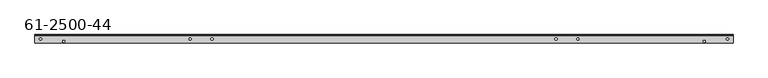
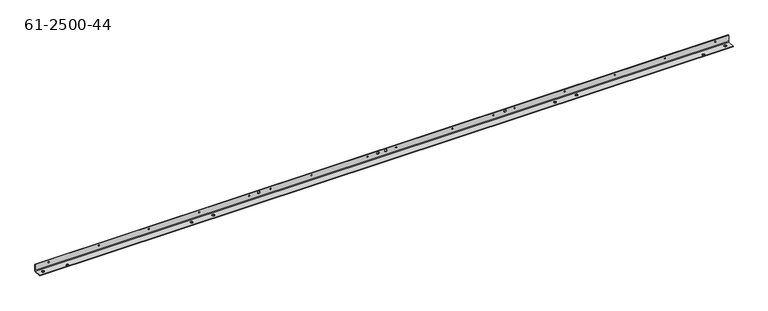
"""IFC4 building model written with IfcOpenShell, lengths in millimetres: proxy geometry, 61-2500-44."""

from ifc_helpers import new_model, si_unit, frame, origin, place, context, project, spatial, polyline, circle_curve, source, transform, mapped, element, save
from ifc_brep_helpers import plane_surface, cylinder_surface, revolved_surface, advanced_brep


def proxy_61_2500_44_c0f4c63f(model_context):
    return source(origin(), model_context, "Body", "AdvancedBrep", [
        advanced_brep(
        [(2209.7238, 12.7, 0.0), (2209.7238, 12.7, 1.6129), (2202.4848, 12.7, 1.6129), (2202.4848, 12.7, 0.0), (24.4602, 12.7, 0.0), (24.4602, 12.7, 1.6129), (17.2212, 12.7, 1.6129), (17.2212, 12.7, 0.0), (47.7901, 25.0571, 16.6254252), (47.7901, 26.67, 16.6254252), (44.7421, 26.67, 16.6254252), (44.7421, 25.0571, 16.6254252), (208.3689, 25.0571, 16.6254252), (208.3689, 26.67, 16.6254252), (205.3209, 26.67, 16.6254252), (205.3209, 25.0571, 16.6254252), (368.9477, 25.0571, 16.6254252), (368.9477, 26.67, 16.6254252), (365.8997, 26.67, 16.6254252), (365.8997, 25.0571, 16.6254252), (889.3429, 25.0571, 16.6254252), (889.3429, 26.67, 16.6254252), (886.2949, 26.67, 16.6254252), (886.2949, 25.0571, 16.6254252), (1069.2511, 25.0571, 16.6254252), (1069.2511, 26.67, 16.6254252), (1066.2031, 26.67, 16.6254252), (1066.2031, 25.0571, 16.6254252), (1160.7419, 25.0571, 16.6254252), (1160.7419, 26.67, 16.6254252), (1157.6939, 26.67, 16.6254252), (1157.6939, 25.0571, 16.6254252), (1340.6501, 25.0571, 16.6254252), (1340.6501, 26.67, 16.6254252), (1337.6021, 26.67, 16.6254252), (1337.6021, 25.0571, 16.6254252), (1861.0453, 25.0571, 16.6254252), (1861.0453, 26.67, 16.6254252), (1857.9973, 26.67, 16.6254252), (1857.9973, 25.0571, 16.6254252), (2021.6241, 25.0571, 16.6254252), (2021.6241, 26.67, 16.6254252), (2018.5761, 26.67, 16.6254252), (2018.5761, 25.0571, 16.6254252), (2182.2029, 25.0571, 16.6254252), (2182.2029, 26.67, 16.6254252), (2179.1549, 26.67, 16.6254252), (2179.1549, 25.0571, 16.6254252), (529.5265, 25.0571, 16.6254252), (529.5265, 26.67, 16.6254252), (526.4785, 26.67, 16.6254252), (526.4785, 25.0571, 16.6254252), (690.1053, 25.0571, 16.6254252), (690.1053, 26.67, 16.6254252), (687.0573, 26.67, 16.6254252), (687.0573, 25.0571, 16.6254252), (1700.4665, 25.0571, 16.6254252), (1700.4665, 26.67, 16.6254252), (1697.4185, 26.67, 16.6254252), (1697.4185, 25.0571, 16.6254252), (1539.8877, 25.0571, 16.6254252), (1539.8877, 26.67, 16.6254252), (1536.8397, 26.67, 16.6254252), (1536.8397, 25.0571, 16.6254252), (758.15952, 25.0571, 16.6254252), (758.15952, 26.67, 16.6254252), (755.11152, 26.67, 16.6254252), (755.11152, 25.0571, 16.6254252), (1471.83348, 25.0571, 16.6254252), (1471.83348, 26.67, 16.6254252), (1468.78548, 26.67, 16.6254252), (1468.78548, 25.0571, 16.6254252), (1104.392, 25.0571, 17.2466), (1104.392, 26.67, 17.2466), (1097.153, 26.67, 17.2466), (1097.153, 25.0571, 17.2466), (1129.792, 25.0571, 17.2466), (1129.792, 26.67, 17.2466), (1122.553, 26.67, 17.2466), (1122.553, 25.0571, 17.2466), (1511.2365, 25.0571, 17.6911), (1511.2365, 26.67, 17.6911), (1503.9975, 26.67, 17.6911), (1503.9975, 25.0571, 17.6911), (722.9475, 25.0571, 17.6911), (722.9475, 26.67, 17.6911), (715.7085, 26.67, 17.6911), (715.7085, 25.0571, 17.6911), (562.7751, 12.69238, 1.6129), (562.7751, 12.69238, 0.0), (570.0141, 12.69238, 0.0), (570.0141, 12.69238, 1.6129), (1656.9309, 12.69238, 1.6129), (1656.9309, 12.69238, 0.0), (1664.1699, 12.69238, 0.0), (1664.1699, 12.69238, 1.6129), (1726.18146, 12.69238, 1.6129), (1726.18146, 12.69238, 0.0), (1733.42046, 12.69238, 0.0), (1733.42046, 12.69238, 1.6129), (493.52454, 12.69238, 1.6129), (493.52454, 12.69238, 0.0), (500.76354, 12.69238, 0.0), (500.76354, 12.69238, 1.6129), (2128.5815754, 5.2022926, 1.6129), (2128.5815754, 5.2022926, 0.0), (2135.8205754, 5.2022926, 0.0), (2135.8205754, 5.2022926, 1.6129), (91.1244246, 5.2022926, 1.6129), (91.1244246, 5.2022926, 0.0), (98.3634246, 5.2022926, 0.0), (98.3634246, 5.2022926, 1.6129), (3.175, 26.67, 3.2258), (2223.77, 26.67, 3.2258), (2223.77, 23.4442, 0.0), (3.175, 23.4442, 0.0), (2223.77, 25.0571, 3.2258), (3.175, 25.0571, 3.2258), (3.175, 23.4442, 1.6129), (2223.77, 23.4442, 1.6129), (2223.77, 0.0, 0.0), (3.175, 0.0, 0.0), (2223.77, 0.0, 1.6129), (3.175, 0.0, 1.6129), (2223.77, 26.67, 24.13), (2223.77, 25.0571, 24.13), (3.175, 26.67, 24.13), (3.175, 25.0571, 24.13)],
        [
            (0, 1),
            (1, 2, circle_curve(frame((2206.1043, 12.7, 1.6129), z_axis=(0.0, 0.0, 1.0), x_axis=(1.0, 0.0, 0.0)), 3.6195)),
            (2, 3),
            (3, 0, circle_curve(frame((2206.1043, 12.7, 0.0), z_axis=(0.0, 0.0, -1.0), x_axis=(1.0, 0.0, 0.0)), 3.6195)),
            (4, 5),
            (5, 6, circle_curve(frame((20.8407, 12.7, 1.6129), z_axis=(0.0, 0.0, 1.0), x_axis=(1.0, 0.0, 0.0)), 3.6195)),
            (6, 7),
            (7, 4, circle_curve(frame((20.8407, 12.7, 0.0), z_axis=(0.0, 0.0, -1.0), x_axis=(1.0, 0.0, 0.0)), 3.6195)),
            (8, 9),
            (9, 10, circle_curve(frame((46.2661, 26.67, 16.6254252), z_axis=(0.0, 1.0, 0.0), x_axis=(1.0, 0.0, 0.0)), 1.524)),
            (10, 11),
            (11, 8, circle_curve(frame((46.2661, 25.0571, 16.6254252), z_axis=(0.0, -1.0, 0.0), x_axis=(1.0, 0.0, 0.0)), 1.524)),
            (12, 13),
            (13, 14, circle_curve(frame((206.8449, 26.67, 16.6254252), z_axis=(0.0, 1.0, 0.0), x_axis=(1.0, 0.0, 0.0)), 1.524)),
            (14, 15),
            (15, 12, circle_curve(frame((206.8449, 25.0571, 16.6254252), z_axis=(0.0, -1.0, 0.0), x_axis=(1.0, 0.0, 0.0)), 1.524)),
            (16, 17),
            (17, 18, circle_curve(frame((367.4237, 26.67, 16.6254252), z_axis=(0.0, 1.0, 0.0), x_axis=(1.0, 0.0, 0.0)), 1.524)),
            (18, 19),
            (19, 16, circle_curve(frame((367.4237, 25.0571, 16.6254252), z_axis=(0.0, -1.0, 0.0), x_axis=(1.0, 0.0, 0.0)), 1.524)),
            (20, 21),
            (21, 22, circle_curve(frame((887.8189, 26.67, 16.6254252), z_axis=(0.0, 1.0, 0.0), x_axis=(1.0, 0.0, 0.0)), 1.524)),
            (22, 23),
            (23, 20, circle_curve(frame((887.8189, 25.0571, 16.6254252), z_axis=(0.0, -1.0, 0.0), x_axis=(1.0, 0.0, 0.0)), 1.524)),
            (24, 25),
            (25, 26, circle_curve(frame((1067.7271, 26.67, 16.6254252), z_axis=(0.0, 1.0, 0.0), x_axis=(1.0, 0.0, 0.0)), 1.524)),
            (26, 27),
            (27, 24, circle_curve(frame((1067.7271, 25.0571, 16.6254252), z_axis=(0.0, -1.0, 0.0), x_axis=(1.0, 0.0, 0.0)), 1.524)),
            (28, 29),
            (29, 30, circle_curve(frame((1159.2179, 26.67, 16.6254252), z_axis=(0.0, 1.0, 0.0), x_axis=(1.0, 0.0, 0.0)), 1.524)),
            (30, 31),
            (31, 28, circle_curve(frame((1159.2179, 25.0571, 16.6254252), z_axis=(0.0, -1.0, 0.0), x_axis=(1.0, 0.0, 0.0)), 1.524)),
            (32, 33),
            (33, 34, circle_curve(frame((1339.1261, 26.67, 16.6254252), z_axis=(0.0, 1.0, 0.0), x_axis=(1.0, 0.0, 0.0)), 1.524)),
            (34, 35),
            (35, 32, circle_curve(frame((1339.1261, 25.0571, 16.6254252), z_axis=(0.0, -1.0, 0.0), x_axis=(1.0, 0.0, 0.0)), 1.524)),
            (36, 37),
            (37, 38, circle_curve(frame((1859.5213, 26.67, 16.6254252), z_axis=(0.0, 1.0, 0.0), x_axis=(1.0, 0.0, 0.0)), 1.524)),
            (38, 39),
            (39, 36, circle_curve(frame((1859.5213, 25.0571, 16.6254252), z_axis=(0.0, -1.0, 0.0), x_axis=(1.0, 0.0, 0.0)), 1.524)),
            (40, 41),
            (41, 42, circle_curve(frame((2020.1001, 26.67, 16.6254252), z_axis=(0.0, 1.0, 0.0), x_axis=(1.0, 0.0, 0.0)), 1.524)),
            (42, 43),
            (43, 40, circle_curve(frame((2020.1001, 25.0571, 16.6254252), z_axis=(0.0, -1.0, 0.0), x_axis=(1.0, 0.0, 0.0)), 1.524)),
            (44, 45),
            (45, 46, circle_curve(frame((2180.6789, 26.67, 16.6254252), z_axis=(0.0, 1.0, 0.0), x_axis=(1.0, 0.0, 0.0)), 1.524)),
            (46, 47),
            (47, 44, circle_curve(frame((2180.6789, 25.0571, 16.6254252), z_axis=(0.0, -1.0, 0.0), x_axis=(1.0, 0.0, 0.0)), 1.524)),
            (48, 49),
            (49, 50, circle_curve(frame((528.0025, 26.67, 16.6254252), z_axis=(0.0, 1.0, 0.0), x_axis=(1.0, 0.0, 0.0)), 1.524)),
            (50, 51),
            (51, 48, circle_curve(frame((528.0025, 25.0571, 16.6254252), z_axis=(0.0, -1.0, 0.0), x_axis=(1.0, 0.0, 0.0)), 1.524)),
            (52, 53),
            (53, 54, circle_curve(frame((688.5813, 26.67, 16.6254252), z_axis=(0.0, 1.0, 0.0), x_axis=(1.0, 0.0, 0.0)), 1.524)),
            (54, 55),
            (55, 52, circle_curve(frame((688.5813, 25.0571, 16.6254252), z_axis=(0.0, -1.0, 0.0), x_axis=(1.0, 0.0, 0.0)), 1.524)),
            (56, 57),
            (57, 58, circle_curve(frame((1698.9425, 26.67, 16.6254252), z_axis=(0.0, 1.0, 0.0), x_axis=(1.0, 0.0, 0.0)), 1.524)),
            (58, 59),
            (59, 56, circle_curve(frame((1698.9425, 25.0571, 16.6254252), z_axis=(0.0, -1.0, 0.0), x_axis=(1.0, 0.0, 0.0)), 1.524)),
            (60, 61),
            (61, 62, circle_curve(frame((1538.3637, 26.67, 16.6254252), z_axis=(0.0, 1.0, 0.0), x_axis=(1.0, 0.0, 0.0)), 1.524)),
            (62, 63),
            (63, 60, circle_curve(frame((1538.3637, 25.0571, 16.6254252), z_axis=(0.0, -1.0, 0.0), x_axis=(1.0, 0.0, 0.0)), 1.524)),
            (64, 65),
            (65, 66, circle_curve(frame((756.63552, 26.67, 16.6254252), z_axis=(0.0, 1.0, 0.0), x_axis=(1.0, 0.0, 0.0)), 1.524)),
            (66, 67),
            (67, 64, circle_curve(frame((756.63552, 25.0571, 16.6254252), z_axis=(0.0, -1.0, 0.0), x_axis=(1.0, 0.0, 0.0)), 1.524)),
            (68, 69),
            (69, 70, circle_curve(frame((1470.30948, 26.67, 16.6254252), z_axis=(0.0, 1.0, 0.0), x_axis=(1.0, 0.0, 0.0)), 1.524)),
            (70, 71),
            (71, 68, circle_curve(frame((1470.30948, 25.0571, 16.6254252), z_axis=(0.0, -1.0, 0.0), x_axis=(1.0, 0.0, 0.0)), 1.524)),
            (72, 73),
            (73, 74, circle_curve(frame((1100.7725, 26.67, 17.2466), z_axis=(0.0, 1.0, 0.0), x_axis=(1.0, 0.0, 0.0)), 3.6195)),
            (74, 75),
            (75, 72, circle_curve(frame((1100.7725, 25.0571, 17.2466), z_axis=(0.0, -1.0, 0.0), x_axis=(1.0, 0.0, 0.0)), 3.6195)),
            (76, 77),
            (77, 78, circle_curve(frame((1126.1725, 26.67, 17.2466), z_axis=(0.0, 1.0, 0.0), x_axis=(1.0, 0.0, 0.0)), 3.6195)),
            (78, 79),
            (79, 76, circle_curve(frame((1126.1725, 25.0571, 17.2466), z_axis=(0.0, -1.0, 0.0), x_axis=(1.0, 0.0, 0.0)), 3.6195)),
            (80, 81),
            (81, 82, circle_curve(frame((1507.617, 26.67, 17.6911), z_axis=(0.0, 1.0, 0.0), x_axis=(1.0, 0.0, 0.0)), 3.6195)),
            (82, 83),
            (83, 80, circle_curve(frame((1507.617, 25.0571, 17.6911), z_axis=(0.0, -1.0, 0.0), x_axis=(1.0, 0.0, 0.0)), 3.6195)),
            (84, 85),
            (85, 86, circle_curve(frame((719.328, 26.67, 17.6911), z_axis=(0.0, 1.0, 0.0), x_axis=(1.0, 0.0, 0.0)), 3.6195)),
            (86, 87),
            (87, 84, circle_curve(frame((719.328, 25.0571, 17.6911), z_axis=(0.0, -1.0, 0.0), x_axis=(1.0, 0.0, 0.0)), 3.6195)),
            (88, 89),
            (89, 90, circle_curve(frame((566.3946, 12.69238, 0.0), z_axis=(0.0, 0.0, -1.0), x_axis=(-1.0, 0.0, 0.0)), 3.6195)),
            (90, 91),
            (91, 88, circle_curve(frame((566.3946, 12.69238, 1.6129), z_axis=(0.0, 0.0, 1.0), x_axis=(-1.0, 0.0, 0.0)), 3.6195)),
            (92, 93),
            (93, 94, circle_curve(frame((1660.5504, 12.69238, 0.0), z_axis=(0.0, 0.0, -1.0), x_axis=(-1.0, 0.0, 0.0)), 3.6195)),
            (94, 95),
            (95, 92, circle_curve(frame((1660.5504, 12.69238, 1.6129), z_axis=(0.0, 0.0, 1.0), x_axis=(-1.0, 0.0, 0.0)), 3.6195)),
            (96, 97),
            (97, 98, circle_curve(frame((1729.80096, 12.69238, 0.0), z_axis=(0.0, 0.0, -1.0), x_axis=(-1.0, 0.0, 0.0)), 3.6195)),
            (98, 99),
            (99, 96, circle_curve(frame((1729.80096, 12.69238, 1.6129), z_axis=(0.0, 0.0, 1.0), x_axis=(-1.0, 0.0, 0.0)), 3.6195)),
            (100, 101),
            (101, 102, circle_curve(frame((497.14404, 12.69238, 0.0), z_axis=(0.0, 0.0, -1.0), x_axis=(-1.0, 0.0, 0.0)), 3.6195)),
            (102, 103),
            (103, 100, circle_curve(frame((497.14404, 12.69238, 1.6129), z_axis=(0.0, 0.0, 1.0), x_axis=(-1.0, 0.0, 0.0)), 3.6195)),
            (104, 105),
            (105, 106, circle_curve(frame((2132.2010754, 5.2022926, 0.0), z_axis=(0.0, 0.0, -1.0), x_axis=(-1.0, 0.0, 0.0)), 3.6195)),
            (106, 107),
            (107, 104, circle_curve(frame((2132.2010754, 5.2022926, 1.6129), z_axis=(0.0, 0.0, 1.0), x_axis=(-1.0, 0.0, 0.0)), 3.6195)),
            (108, 109),
            (109, 110, circle_curve(frame((94.7439246, 5.2022926, 0.0), z_axis=(0.0, 0.0, -1.0), x_axis=(-1.0, 0.0, 0.0)), 3.6195)),
            (110, 111),
            (111, 108, circle_curve(frame((94.7439246, 5.2022926, 1.6129), z_axis=(0.0, 0.0, 1.0), x_axis=(-1.0, 0.0, 0.0)), 3.6195)),
            (108, 111, circle_curve(frame((94.7439246, 5.2022926, 1.6129), z_axis=(0.0, 0.0, 1.0), x_axis=(-1.0, 0.0, 0.0)), 3.6195)),
            (110, 109, circle_curve(frame((94.7439246, 5.2022926, 0.0), z_axis=(0.0, 0.0, -1.0), x_axis=(-1.0, 0.0, 0.0)), 3.6195)),
            (104, 107, circle_curve(frame((2132.2010754, 5.2022926, 1.6129), z_axis=(0.0, 0.0, 1.0), x_axis=(-1.0, 0.0, 0.0)), 3.6195)),
            (106, 105, circle_curve(frame((2132.2010754, 5.2022926, 0.0), z_axis=(0.0, 0.0, -1.0), x_axis=(-1.0, 0.0, 0.0)), 3.6195)),
            (100, 103, circle_curve(frame((497.14404, 12.69238, 1.6129), z_axis=(0.0, 0.0, 1.0), x_axis=(-1.0, 0.0, 0.0)), 3.6195)),
            (102, 101, circle_curve(frame((497.14404, 12.69238, 0.0), z_axis=(0.0, 0.0, -1.0), x_axis=(-1.0, 0.0, 0.0)), 3.6195)),
            (96, 99, circle_curve(frame((1729.80096, 12.69238, 1.6129), z_axis=(0.0, 0.0, 1.0), x_axis=(-1.0, 0.0, 0.0)), 3.6195)),
            (98, 97, circle_curve(frame((1729.80096, 12.69238, 0.0), z_axis=(0.0, 0.0, -1.0), x_axis=(-1.0, 0.0, 0.0)), 3.6195)),
            (92, 95, circle_curve(frame((1660.5504, 12.69238, 1.6129), z_axis=(0.0, 0.0, 1.0), x_axis=(-1.0, 0.0, 0.0)), 3.6195)),
            (94, 93, circle_curve(frame((1660.5504, 12.69238, 0.0), z_axis=(0.0, 0.0, -1.0), x_axis=(-1.0, 0.0, 0.0)), 3.6195)),
            (88, 91, circle_curve(frame((566.3946, 12.69238, 1.6129), z_axis=(0.0, 0.0, 1.0), x_axis=(-1.0, 0.0, 0.0)), 3.6195)),
            (90, 89, circle_curve(frame((566.3946, 12.69238, 0.0), z_axis=(0.0, 0.0, -1.0), x_axis=(-1.0, 0.0, 0.0)), 3.6195)),
            (84, 87, circle_curve(frame((719.328, 25.0571, 17.6911), z_axis=(0.0, -1.0, 0.0), x_axis=(1.0, 0.0, 0.0)), 3.6195)),
            (86, 85, circle_curve(frame((719.328, 26.67, 17.6911), z_axis=(0.0, 1.0, 0.0), x_axis=(1.0, 0.0, 0.0)), 3.6195)),
            (80, 83, circle_curve(frame((1507.617, 25.0571, 17.6911), z_axis=(0.0, -1.0, 0.0), x_axis=(1.0, 0.0, 0.0)), 3.6195)),
            (82, 81, circle_curve(frame((1507.617, 26.67, 17.6911), z_axis=(0.0, 1.0, 0.0), x_axis=(1.0, 0.0, 0.0)), 3.6195)),
            (76, 79, circle_curve(frame((1126.1725, 25.0571, 17.2466), z_axis=(0.0, -1.0, 0.0), x_axis=(1.0, 0.0, 0.0)), 3.6195)),
            (78, 77, circle_curve(frame((1126.1725, 26.67, 17.2466), z_axis=(0.0, 1.0, 0.0), x_axis=(1.0, 0.0, 0.0)), 3.6195)),
            (72, 75, circle_curve(frame((1100.7725, 25.0571, 17.2466), z_axis=(0.0, -1.0, 0.0), x_axis=(1.0, 0.0, 0.0)), 3.6195)),
            (74, 73, circle_curve(frame((1100.7725, 26.67, 17.2466), z_axis=(0.0, 1.0, 0.0), x_axis=(1.0, 0.0, 0.0)), 3.6195)),
            (68, 71, circle_curve(frame((1470.30948, 25.0571, 16.6254252), z_axis=(0.0, -1.0, 0.0), x_axis=(1.0, 0.0, 0.0)), 1.524)),
            (70, 69, circle_curve(frame((1470.30948, 26.67, 16.6254252), z_axis=(0.0, 1.0, 0.0), x_axis=(1.0, 0.0, 0.0)), 1.524)),
            (64, 67, circle_curve(frame((756.63552, 25.0571, 16.6254252), z_axis=(0.0, -1.0, 0.0), x_axis=(1.0, 0.0, 0.0)), 1.524)),
            (66, 65, circle_curve(frame((756.63552, 26.67, 16.6254252), z_axis=(0.0, 1.0, 0.0), x_axis=(1.0, 0.0, 0.0)), 1.524)),
            (60, 63, circle_curve(frame((1538.3637, 25.0571, 16.6254252), z_axis=(0.0, -1.0, 0.0), x_axis=(1.0, 0.0, 0.0)), 1.524)),
            (62, 61, circle_curve(frame((1538.3637, 26.67, 16.6254252), z_axis=(0.0, 1.0, 0.0), x_axis=(1.0, 0.0, 0.0)), 1.524)),
            (56, 59, circle_curve(frame((1698.9425, 25.0571, 16.6254252), z_axis=(0.0, -1.0, 0.0), x_axis=(1.0, 0.0, 0.0)), 1.524)),
            (58, 57, circle_curve(frame((1698.9425, 26.67, 16.6254252), z_axis=(0.0, 1.0, 0.0), x_axis=(1.0, 0.0, 0.0)), 1.524)),
            (52, 55, circle_curve(frame((688.5813, 25.0571, 16.6254252), z_axis=(0.0, -1.0, 0.0), x_axis=(1.0, 0.0, 0.0)), 1.524)),
            (54, 53, circle_curve(frame((688.5813, 26.67, 16.6254252), z_axis=(0.0, 1.0, 0.0), x_axis=(1.0, 0.0, 0.0)), 1.524)),
            (48, 51, circle_curve(frame((528.0025, 25.0571, 16.6254252), z_axis=(0.0, -1.0, 0.0), x_axis=(1.0, 0.0, 0.0)), 1.524)),
            (50, 49, circle_curve(frame((528.0025, 26.67, 16.6254252), z_axis=(0.0, 1.0, 0.0), x_axis=(1.0, 0.0, 0.0)), 1.524)),
            (44, 47, circle_curve(frame((2180.6789, 25.0571, 16.6254252), z_axis=(0.0, -1.0, 0.0), x_axis=(1.0, 0.0, 0.0)), 1.524)),
            (46, 45, circle_curve(frame((2180.6789, 26.67, 16.6254252), z_axis=(0.0, 1.0, 0.0), x_axis=(1.0, 0.0, 0.0)), 1.524)),
            (40, 43, circle_curve(frame((2020.1001, 25.0571, 16.6254252), z_axis=(0.0, -1.0, 0.0), x_axis=(1.0, 0.0, 0.0)), 1.524)),
            (42, 41, circle_curve(frame((2020.1001, 26.67, 16.6254252), z_axis=(0.0, 1.0, 0.0), x_axis=(1.0, 0.0, 0.0)), 1.524)),
            (36, 39, circle_curve(frame((1859.5213, 25.0571, 16.6254252), z_axis=(0.0, -1.0, 0.0), x_axis=(1.0, 0.0, 0.0)), 1.524)),
            (38, 37, circle_curve(frame((1859.5213, 26.67, 16.6254252), z_axis=(0.0, 1.0, 0.0), x_axis=(1.0, 0.0, 0.0)), 1.524)),
            (32, 35, circle_curve(frame((1339.1261, 25.0571, 16.6254252), z_axis=(0.0, -1.0, 0.0), x_axis=(1.0, 0.0, 0.0)), 1.524)),
            (34, 33, circle_curve(frame((1339.1261, 26.67, 16.6254252), z_axis=(0.0, 1.0, 0.0), x_axis=(1.0, 0.0, 0.0)), 1.524)),
            (28, 31, circle_curve(frame((1159.2179, 25.0571, 16.6254252), z_axis=(0.0, -1.0, 0.0), x_axis=(1.0, 0.0, 0.0)), 1.524)),
            (30, 29, circle_curve(frame((1159.2179, 26.67, 16.6254252), z_axis=(0.0, 1.0, 0.0), x_axis=(1.0, 0.0, 0.0)), 1.524)),
            (24, 27, circle_curve(frame((1067.7271, 25.0571, 16.6254252), z_axis=(0.0, -1.0, 0.0), x_axis=(1.0, 0.0, 0.0)), 1.524)),
            (26, 25, circle_curve(frame((1067.7271, 26.67, 16.6254252), z_axis=(0.0, 1.0, 0.0), x_axis=(1.0, 0.0, 0.0)), 1.524)),
            (20, 23, circle_curve(frame((887.8189, 25.0571, 16.6254252), z_axis=(0.0, -1.0, 0.0), x_axis=(1.0, 0.0, 0.0)), 1.524)),
            (22, 21, circle_curve(frame((887.8189, 26.67, 16.6254252), z_axis=(0.0, 1.0, 0.0), x_axis=(1.0, 0.0, 0.0)), 1.524)),
            (16, 19, circle_curve(frame((367.4237, 25.0571, 16.6254252), z_axis=(0.0, -1.0, 0.0), x_axis=(1.0, 0.0, 0.0)), 1.524)),
            (18, 17, circle_curve(frame((367.4237, 26.67, 16.6254252), z_axis=(0.0, 1.0, 0.0), x_axis=(1.0, 0.0, 0.0)), 1.524)),
            (12, 15, circle_curve(frame((206.8449, 25.0571, 16.6254252), z_axis=(0.0, -1.0, 0.0), x_axis=(1.0, 0.0, 0.0)), 1.524)),
            (14, 13, circle_curve(frame((206.8449, 26.67, 16.6254252), z_axis=(0.0, 1.0, 0.0), x_axis=(1.0, 0.0, 0.0)), 1.524)),
            (8, 11, circle_curve(frame((46.2661, 25.0571, 16.6254252), z_axis=(0.0, -1.0, 0.0), x_axis=(1.0, 0.0, 0.0)), 1.524)),
            (10, 9, circle_curve(frame((46.2661, 26.67, 16.6254252), z_axis=(0.0, 1.0, 0.0), x_axis=(1.0, 0.0, 0.0)), 1.524)),
            (4, 7, circle_curve(frame((20.8407, 12.7, 0.0), z_axis=(0.0, 0.0, -1.0), x_axis=(1.0, 0.0, 0.0)), 3.6195)),
            (6, 5, circle_curve(frame((20.8407, 12.7, 1.6129), z_axis=(0.0, 0.0, 1.0), x_axis=(1.0, 0.0, 0.0)), 3.6195)),
            (0, 3, circle_curve(frame((2206.1043, 12.7, 0.0), z_axis=(0.0, 0.0, -1.0), x_axis=(1.0, 0.0, 0.0)), 3.6195)),
            (2, 1, circle_curve(frame((2206.1043, 12.7, 1.6129), z_axis=(0.0, 0.0, 1.0), x_axis=(1.0, 0.0, 0.0)), 3.6195)),
            (112, 113),
            (113, 114, circle_curve(frame((2223.77, 23.4442, 3.2258), z_axis=(-1.0, 0.0, 0.0), x_axis=(0.0, 0.0, -1.0)), 3.2258)),
            (114, 115),
            (115, 112, circle_curve(frame((3.175, 23.4442, 3.2258), z_axis=(1.0, 0.0, 0.0), x_axis=(0.0, 0.0, -1.0)), 3.2258)),
            (116, 117),
            (117, 118, circle_curve(frame((3.175, 23.4442, 3.2258), z_axis=(-1.0, 0.0, 0.0), x_axis=(0.0, 0.0, -1.0)), 1.6129)),
            (118, 119),
            (119, 116, circle_curve(frame((2223.77, 23.4442, 3.2258), z_axis=(1.0, 0.0, 0.0), x_axis=(0.0, 0.0, -1.0)), 1.6129)),
            (114, 120),
            (120, 121),
            (121, 115),
            (122, 123),
            (123, 121),
            (120, 122),
            (118, 123),
            (122, 119),
            (113, 124),
            (124, 125),
            (125, 116),
            (112, 126),
            (126, 124),
            (117, 127),
            (127, 126),
            (127, 125),
        ],
        [
            revolved_surface(polyline([(2209.7237999999998, 12.7, 1.6129000000000815), (2209.7237999999998, 12.7, 0.0)]), (2206.1043, 12.7, -2225.6225116), (0.0, 0.0, 1.0)),
            revolved_surface(polyline([(24.460199999999997, 12.7, 1.6129000000000815), (24.460199999999997, 12.7, 0.0)]), (20.8407, 12.7, -2225.6225116), (0.0, 0.0, 1.0)),
            revolved_surface(polyline([(47.7901, 26.670000000000073, 16.6254252), (47.7901, 25.05709999999999, 16.6254252)]), (46.2661, -2200.5654116, 16.6254252), (0.0, 1.0, 0.0)),
            revolved_surface(polyline([(208.3689, 26.670000000000073, 16.6254252), (208.3689, 25.05709999999999, 16.6254252)]), (206.8449, -2200.5654116, 16.6254252), (0.0, 1.0, 0.0)),
            revolved_surface(polyline([(368.9477, 26.670000000000073, 16.6254252), (368.9477, 25.05709999999999, 16.6254252)]), (367.4237, -2200.5654116, 16.6254252), (0.0, 1.0, 0.0)),
            revolved_surface(polyline([(889.3429, 26.670000000000073, 16.6254252), (889.3429, 25.05709999999999, 16.6254252)]), (887.8189, -2200.5654116, 16.6254252), (0.0, 1.0, 0.0)),
            revolved_surface(polyline([(1069.2511, 26.670000000000073, 16.6254252), (1069.2511, 25.05709999999999, 16.6254252)]), (1067.7271, -2200.5654116, 16.6254252), (0.0, 1.0, 0.0)),
            revolved_surface(polyline([(1160.7419, 26.670000000000073, 16.6254252), (1160.7419, 25.05709999999999, 16.6254252)]), (1159.2179, -2200.5654116, 16.6254252), (0.0, 1.0, 0.0)),
            revolved_surface(polyline([(1340.6500999999998, 26.670000000000073, 16.6254252), (1340.6500999999998, 25.05709999999999, 16.6254252)]), (1339.1261, -2200.5654116, 16.6254252), (0.0, 1.0, 0.0)),
            revolved_surface(polyline([(1861.0453, 26.670000000000073, 16.6254252), (1861.0453, 25.05709999999999, 16.6254252)]), (1859.5213, -2200.5654116, 16.6254252), (0.0, 1.0, 0.0)),
            revolved_surface(polyline([(2021.6241, 26.670000000000073, 16.6254252), (2021.6241, 25.05709999999999, 16.6254252)]), (2020.1001, -2200.5654116, 16.6254252), (0.0, 1.0, 0.0)),
            revolved_surface(polyline([(2182.2028999999998, 26.670000000000073, 16.6254252), (2182.2028999999998, 25.05709999999999, 16.6254252)]), (2180.6789, -2200.5654116, 16.6254252), (0.0, 1.0, 0.0)),
            revolved_surface(polyline([(529.5265, 26.670000000000073, 16.6254252), (529.5265, 25.05709999999999, 16.6254252)]), (528.0025, -2200.5654116, 16.6254252), (0.0, 1.0, 0.0)),
            revolved_surface(polyline([(690.1053, 26.670000000000073, 16.6254252), (690.1053, 25.05709999999999, 16.6254252)]), (688.5813, -2200.5654116, 16.6254252), (0.0, 1.0, 0.0)),
            revolved_surface(polyline([(1700.4665, 26.670000000000073, 16.6254252), (1700.4665, 25.05709999999999, 16.6254252)]), (1698.9425, -2200.5654116, 16.6254252), (0.0, 1.0, 0.0)),
            revolved_surface(polyline([(1539.8877, 26.670000000000073, 16.6254252), (1539.8877, 25.05709999999999, 16.6254252)]), (1538.3637, -2200.5654116, 16.6254252), (0.0, 1.0, 0.0)),
            revolved_surface(polyline([(758.15952, 26.670000000000073, 16.6254252), (758.15952, 25.05709999999999, 16.6254252)]), (756.63552, -2200.5654116, 16.6254252), (0.0, 1.0, 0.0)),
            revolved_surface(polyline([(1471.8334799999998, 26.670000000000073, 16.6254252), (1471.8334799999998, 25.05709999999999, 16.6254252)]), (1470.30948, -2200.5654116, 16.6254252), (0.0, 1.0, 0.0)),
            revolved_surface(polyline([(1104.392, 26.670000000000073, 17.2466), (1104.392, 25.05709999999999, 17.2466)]), (1100.7725, -2200.5654116, 17.2466), (0.0, 1.0, 0.0)),
            revolved_surface(polyline([(1129.792, 26.670000000000073, 17.2466), (1129.792, 25.05709999999999, 17.2466)]), (1126.1725, -2200.5654116, 17.2466), (0.0, 1.0, 0.0)),
            revolved_surface(polyline([(1511.2365, 26.670000000000073, 17.6911), (1511.2365, 25.05709999999999, 17.6911)]), (1507.617, -2200.5654116, 17.6911), (0.0, 1.0, 0.0)),
            revolved_surface(polyline([(722.9475, 26.670000000000073, 17.6911), (722.9475, 25.05709999999999, 17.6911)]), (719.328, -2200.5654116, 17.6911), (0.0, 1.0, 0.0)),
            revolved_surface(polyline([(562.7751, 12.69238, 0.0), (562.7751, 12.69238, 1.6129000000000815)]), (566.3946, 12.69238, 2220.886242), (0.0, 0.0, -1.0)),
            revolved_surface(polyline([(1656.9309, 12.69238, 0.0), (1656.9309, 12.69238, 1.6129000000000815)]), (1660.5504, 12.69238, 2220.886242), (0.0, 0.0, -1.0)),
            revolved_surface(polyline([(1726.18146, 12.69238, 0.0), (1726.18146, 12.69238, 1.6129000000000815)]), (1729.80096, 12.69238, 2220.886242), (0.0, 0.0, -1.0)),
            revolved_surface(polyline([(493.52454, 12.69238, 0.0), (493.52454, 12.69238, 1.6129000000000815)]), (497.14404, 12.69238, 2220.886242), (0.0, 0.0, -1.0)),
            revolved_surface(polyline([(2128.5815754, 5.2022926, 0.0), (2128.5815754, 5.2022926, 1.6129000000000815)]), (2132.2010754, 5.2022926, 2220.886242), (0.0, 0.0, -1.0)),
            revolved_surface(polyline([(91.1244246, 5.2022926, 0.0), (91.1244246, 5.2022926, 1.6129000000000815)]), (94.7439246, 5.2022926, 2220.886242), (0.0, 0.0, -1.0)),
            cylinder_surface(frame((1113.4725, 23.4442, 3.2258), z_axis=(1.0, 0.0, 0.0), x_axis=(0.0, 0.0, -1.0)), 3.2258),
            revolved_surface(polyline([(2223.77, 23.4442, 1.6129), (3.1749999999999545, 23.4442, 1.6129)]), (1113.4725, 23.4442, 3.2258), (1.0, 0.0, 0.0)),
            plane_surface(frame((1113.4725, 13.335, 0.0), z_axis=(0.0, 0.0, -1.0), x_axis=(1.0, 0.0, 0.0))),
            plane_surface(frame((2226.945, 0.0, 0.0), z_axis=(0.0, -1.0, 0.0), x_axis=(0.0, 0.0, -1.0))),
            plane_surface(frame((1113.4725, 13.335, 1.6129), z_axis=(0.0, 0.0, 1.0), x_axis=(1.0, 0.0, 0.0))),
            plane_surface(frame((2223.77, 26.67, 24.13), z_axis=(1.0, 0.0, 0.0), x_axis=(0.0, 0.0, -1.0))),
            plane_surface(frame((1113.4725, 26.67, 12.065), z_axis=(0.0, 1.0, 0.0), x_axis=(0.0, 0.0, 1.0))),
            plane_surface(frame((3.175, 26.67, 0.0), z_axis=(-1.0, 0.0, 0.0), x_axis=(0.0, 0.0, 1.0))),
            plane_surface(frame((0.0, 26.67, 24.13), z_axis=(0.0, 0.0, 1.0), x_axis=(1.0, 0.0, 0.0))),
            plane_surface(frame((1113.4725, 25.0571, 12.065), z_axis=(0.0, -1.0, 0.0), x_axis=(0.0, 0.0, 1.0))),
        ],
        [
            (0, [[1, 2, 3, 4]]),
            (1, [[5, 6, 7, 8]]),
            (2, [[9, 10, 11, 12]]),
            (3, [[13, 14, 15, 16]]),
            (4, [[17, 18, 19, 20]]),
            (5, [[21, 22, 23, 24]]),
            (6, [[25, 26, 27, 28]]),
            (7, [[29, 30, 31, 32]]),
            (8, [[33, 34, 35, 36]]),
            (9, [[37, 38, 39, 40]]),
            (10, [[41, 42, 43, 44]]),
            (11, [[45, 46, 47, 48]]),
            (12, [[49, 50, 51, 52]]),
            (13, [[53, 54, 55, 56]]),
            (14, [[57, 58, 59, 60]]),
            (15, [[61, 62, 63, 64]]),
            (16, [[65, 66, 67, 68]]),
            (17, [[69, 70, 71, 72]]),
            (18, [[73, 74, 75, 76]]),
            (19, [[77, 78, 79, 80]]),
            (20, [[81, 82, 83, 84]]),
            (21, [[85, 86, 87, 88]]),
            (22, [[89, 90, 91, 92]]),
            (23, [[93, 94, 95, 96]]),
            (24, [[97, 98, 99, 100]]),
            (25, [[101, 102, 103, 104]]),
            (26, [[105, 106, 107, 108]]),
            (27, [[109, 110, 111, 112]]),
            (27, [[-109, 113, -111, 114]]),
            (26, [[-105, 115, -107, 116]]),
            (25, [[-101, 117, -103, 118]]),
            (24, [[-97, 119, -99, 120]]),
            (23, [[-93, 121, -95, 122]]),
            (22, [[-89, 123, -91, 124]]),
            (21, [[-85, 125, -87, 126]]),
            (20, [[-81, 127, -83, 128]]),
            (19, [[-77, 129, -79, 130]]),
            (18, [[-73, 131, -75, 132]]),
            (17, [[-69, 133, -71, 134]]),
            (16, [[-65, 135, -67, 136]]),
            (15, [[-61, 137, -63, 138]]),
            (14, [[-57, 139, -59, 140]]),
            (13, [[-53, 141, -55, 142]]),
            (12, [[-49, 143, -51, 144]]),
            (11, [[-45, 145, -47, 146]]),
            (10, [[-41, 147, -43, 148]]),
            (9, [[-37, 149, -39, 150]]),
            (8, [[-33, 151, -35, 152]]),
            (7, [[-29, 153, -31, 154]]),
            (6, [[-25, 155, -27, 156]]),
            (5, [[-21, 157, -23, 158]]),
            (4, [[-17, 159, -19, 160]]),
            (3, [[-13, 161, -15, 162]]),
            (2, [[-9, 163, -11, 164]]),
            (1, [[-5, 165, -7, 166]]),
            (0, [[-1, 167, -3, 168]]),
            (28, [[169, 170, 171, 172]]),
            (29, [[173, 174, 175, 176]]),
            (30, [[-171, 177, 178, 179], [-114, -110], [-116, -106], [-118, -102], [-120, -98], [-122, -94], [-124, -90], [-165, -8], [-167, -4]]),
            (31, [[180, 181, -178, 182]]),
            (32, [[-175, 183, -180, 184], [-113, -112], [-115, -108], [-117, -104], [-119, -100], [-121, -96], [-123, -92], [-166, -6], [-168, -2]]),
            (33, [[185, 186, 187, -176, -184, -182, -177, -170]]),
            (34, [[-169, 188, 189, -185], [-126, -86], [-128, -82], [-130, -78], [-132, -74], [-134, -70], [-136, -66], [-138, -62], [-140, -58], [-142, -54], [-144, -50], [-146, -46], [-148, -42], [-150, -38], [-152, -34], [-154, -30], [-156, -26], [-158, -22], [-160, -18], [-162, -14], [-164, -10]]),
            (35, [[190, 191, -188, -172, -179, -181, -183, -174]]),
            (36, [[192, -186, -189, -191]]),
            (37, [[-173, -187, -192, -190], [-125, -88], [-127, -84], [-129, -80], [-131, -76], [-133, -72], [-135, -68], [-137, -64], [-139, -60], [-141, -56], [-143, -52], [-145, -48], [-147, -44], [-149, -40], [-151, -36], [-153, -32], [-155, -28], [-157, -24], [-159, -20], [-161, -16], [-163, -12]]),
        ],
    ),
    ])


if __name__ == "__main__":
    model = new_model("IFC4")
    model_context = context("Model", 3, world=origin())
    ifc_project = project(units=[si_unit("LENGTHUNIT", "METRE", prefix="MILLI")], contexts=[model_context])
    site = spatial("IfcSite", under=ifc_project)
    building = spatial("IfcBuilding", under=site)
    placement = place(None, origin())
    proxy_61_2500_44_shape = proxy_61_2500_44_c0f4c63f(model_context)
    element("IfcBuildingElementProxy", 1, Name="61-2500-44", ObjectType="61-2500-44", at=placement, inside=building, context=model_context, shape_type="MappedRepresentation", body=[
        mapped(proxy_61_2500_44_shape, transform((0.0, 0.0, 0.0), x_axis=(1.0, 0.0, 0.0), y_axis=(0.0, 1.0, 0.0), z_axis=(0.0, 0.0, 1.0))),
    ])
    save(model, "model.ifc")
